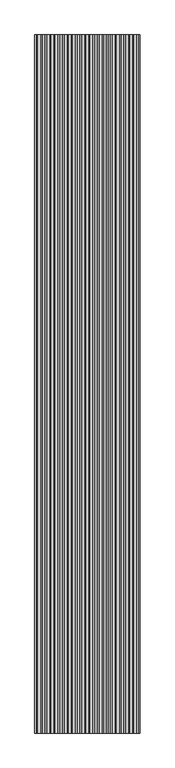
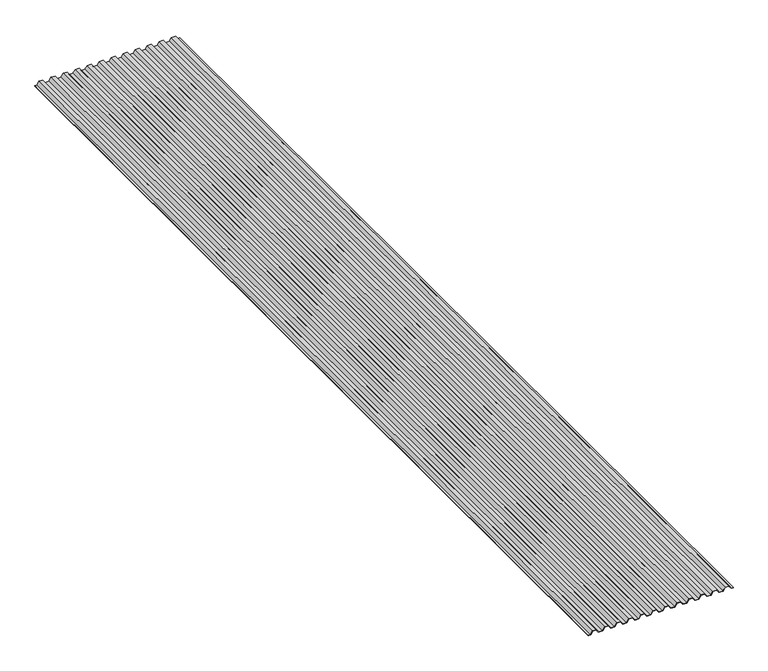
"""IFC4 building model written with IfcOpenShell, lengths in millimetres: proxy geometry."""

import ifcopenshell
import ifcopenshell.guid

model = None  # the IFC model being written
_history = None  # IfcOwnerHistory: only IFC2X3 demands one
_inside = {}  # id of a spatial element -> (the spatial element, [elements in it])
_under = {}  # id of a project, library or spatial element -> (it, [spatial elements below it])
_declared = {}  # id of a project -> (the project, [libraries it declares])
_typed = {}  # id of a type object -> (the type object, [elements of that type])
_made_of = {}  # id of a material, layer set ... -> (it, [elements and type objects made of it])


def new_model(schema):
    """Start an empty IFC model of exactly this schema.

    Asked for "IFC4X3", IfcOpenShell would pick the latest addendum, in which some entities
    have other attributes; the version numbers below select the first issue.
    IFC2X3 requires an IfcOwnerHistory on every rooted entity: one is made here for all.
    """
    global model, _history
    if schema == "IFC4X3":
        model = ifcopenshell.file(schema_version=(4, 3, 0, 0))
    else:
        model = ifcopenshell.file(schema=schema)
    _inside.clear()
    _under.clear()
    _declared.clear()
    _typed.clear()
    _made_of.clear()
    _history = None
    if model.schema == "IFC2X3":
        org = make("IfcOrganization", Name="unknown")
        user = make(
            "IfcPersonAndOrganization",
            ThePerson=make("IfcPerson", FamilyName="unknown"),
            TheOrganization=org,
        )
        app = make(
            "IfcApplication",
            ApplicationDeveloper=org,
            Version="unknown",
            ApplicationFullName="unknown",
            ApplicationIdentifier="unknown",
        )
        _history = make(
            "IfcOwnerHistory",
            OwningUser=user,
            OwningApplication=app,
            ChangeAction="ADDED",
            CreationDate=0,
        )
    return model


def make(cls, **values):
    """One entity of the class cls with the attributes given. An attribute that is None is left unset."""
    return model.create_entity(
        cls, **{name: value for name, value in values.items() if value is not None}
    )


def rooted(cls, **values):
    """An entity with a GlobalId (a new one), such as an element, a storey or a relation."""
    return make(cls, GlobalId=ifcopenshell.guid.new(), OwnerHistory=_history, **values)


def si_unit(unit_type, name, prefix=None):
    """IfcSIUnit, for example si_unit("LENGTHUNIT", "METRE", prefix="MILLI")."""
    return make("IfcSIUnit", UnitType=unit_type, Prefix=prefix, Name=name)


def assignment(units):
    """IfcUnitAssignment: the units of a project."""
    return None if units is None else make("IfcUnitAssignment", Units=units)


def point(xyz):
    """IfcCartesianPoint."""
    return None if xyz is None else make("IfcCartesianPoint", Coordinates=xyz)


def direction(xyz):
    """IfcDirection."""
    return None if xyz is None else make("IfcDirection", DirectionRatios=xyz)


def frame(location, z_axis=None, x_axis=None):
    """IfcAxis2Placement3D, a coordinate frame: its origin and axes. An axis left out is left unset."""
    return make(
        "IfcAxis2Placement3D",
        Location=point(location),
        Axis=direction(z_axis),
        RefDirection=direction(x_axis),
    )


def origin():
    """The frame at (0, 0, 0) with its axes left unset."""
    return frame((0.0, 0.0, 0.0))


def place(relative_to, where):
    """IfcLocalPlacement: puts the frame where relative to a parent placement (None: the world)."""
    return make(
        "IfcLocalPlacement", PlacementRelTo=relative_to, RelativePlacement=where
    )


def context(
    kind, dimensions, precision=None, world=None, true_north=None, identifier=None
):
    """IfcGeometricRepresentationContext, for example the 3D "Model" context."""
    return make(
        "IfcGeometricRepresentationContext",
        ContextIdentifier=identifier,
        ContextType=kind,
        CoordinateSpaceDimension=dimensions,
        Precision=precision,
        WorldCoordinateSystem=world,
        TrueNorth=true_north,
    )


def project(units=None, contexts=None):
    """IfcProject with its units and contexts."""
    return rooted(
        "IfcProject",
        Name="project",
        RepresentationContexts=contexts,
        UnitsInContext=assignment(units),
    )


def spatial(cls, under=None, at=None, **own):
    """A site, building, storey or space (cls), placed at a placement, below another one or the project."""
    s = rooted(cls, ObjectPlacement=at, **own)
    if under is not None:
        _under.setdefault(under.id(), (under, []))[1].append(s)
    return s


def polyline(points):
    """IfcPolyline through the points."""
    return make("IfcPolyline", Points=[point(p) for p in points])


def outline(outer, holes=None, kind="AREA"):
    """IfcArbitraryClosedProfileDef: a profile drawn as a closed curve; with holes, ...WithVoids."""
    if holes is None:
        return make("IfcArbitraryClosedProfileDef", ProfileType=kind, OuterCurve=outer)
    return make(
        "IfcArbitraryProfileDefWithVoids",
        ProfileType=kind,
        OuterCurve=outer,
        InnerCurves=holes,
    )


def extrude(swept, where, along, depth):
    """IfcExtrudedAreaSolid: the profile swept, set in the frame where, extruded along a direction by depth."""
    return make(
        "IfcExtrudedAreaSolid",
        SweptArea=swept,
        Position=where,
        ExtrudedDirection=direction(along),
        Depth=depth,
    )


def shape(context_of_items, identifier, shape_type, items):
    """IfcShapeRepresentation: the items that make up one representation, for example the "Body"."""
    return make(
        "IfcShapeRepresentation",
        ContextOfItems=context_of_items,
        RepresentationIdentifier=identifier,
        RepresentationType=shape_type,
        Items=items,
    )


def source(mapping_origin, context_of_items, identifier, shape_type, items):
    """IfcRepresentationMap: a shape defined once, which mapped items show again and again."""
    return make(
        "IfcRepresentationMap",
        MappingOrigin=mapping_origin,
        MappedRepresentation=shape(context_of_items, identifier, shape_type, items),
    )


def transform(
    local_origin,
    x_axis=None,
    y_axis=None,
    z_axis=None,
    scale=None,
    scale2=None,
    scale3=None,
    uniform=True,
):
    """IfcCartesianTransformationOperator3D, or its non-uniform kind. x_axis, y_axis, z_axis: its Axis1, 2, 3."""
    if uniform:
        return make(
            "IfcCartesianTransformationOperator3D",
            Axis1=direction(x_axis),
            Axis2=direction(y_axis),
            LocalOrigin=point(local_origin),
            Scale=scale,
            Axis3=direction(z_axis),
        )
    return make(
        "IfcCartesianTransformationOperator3DnonUniform",
        Axis1=direction(x_axis),
        Axis2=direction(y_axis),
        LocalOrigin=point(local_origin),
        Scale=scale,
        Axis3=direction(z_axis),
        Scale2=scale2,
        Scale3=scale3,
    )


def mapped(mapping_source, mapping_target):
    """IfcMappedItem: shows the shape of a source again, moved by a transform."""
    return make(
        "IfcMappedItem", MappingSource=mapping_source, MappingTarget=mapping_target
    )


def made_of(thing, what):
    """Note that an element or type object is made of a material, layer set ...; save() writes the relation."""
    if what is not None:
        _made_of.setdefault(what.id(), (what, []))[1].append(thing)
    return thing


def element(
    cls,
    number,
    at=None,
    inside=None,
    cuts=None,
    type_object=None,
    material=None,
    context=None,
    identifier="Body",
    shape_type=None,
    held_by="IfcProductDefinitionShape",
    body=None,
    shapes=None,
    **own,
):
    """One element of the class cls, such as IfcWall. Its Tag is "e" and its number.

    at: its placement. inside: the storey or other place that contains it. cuts: it is an
    opening in that element (IfcRelVoidsElement). A single representation is given by context,
    identifier, shape_type and body (its items); several are given by shapes. held_by: the class
    of the entity that holds the representations. save() writes the other relations.
    """
    e = rooted(cls, Tag="e%d" % number, ObjectPlacement=at, **own)
    if body is not None:
        shapes = [shape(context, identifier, shape_type, body)]
    if shapes is not None:
        e.Representation = make(held_by, Representations=shapes)
    if inside is not None:
        _inside.setdefault(inside.id(), (inside, []))[1].append(e)
    if cuts is not None:
        rooted(
            "IfcRelVoidsElement", RelatingBuildingElement=cuts, RelatedOpeningElement=e
        )
    if type_object is not None:
        _typed.setdefault(type_object.id(), (type_object, []))[1].append(e)
    return made_of(e, material)


def aggregate(whole, parts):
    """IfcRelAggregates: a whole, such as a stair, and the parts it consists of."""
    return rooted("IfcRelAggregates", RelatingObject=whole, RelatedObjects=parts)


def save(model, path):
    """Write the relations noted so far, then the file.

    IfcRelAggregates (storeys below a building ...), IfcRelContainedInSpatialStructure (elements
    in a storey), IfcRelDefinesByType, IfcRelAssociatesMaterial and IfcRelDeclares: one each for
    every whole, place, type object, material and project.
    """
    for whole, parts in _under.values():
        aggregate(whole, parts)
    for where, things in _inside.values():
        rooted(
            "IfcRelContainedInSpatialStructure",
            RelatedElements=things,
            RelatingStructure=where,
        )
    for kind, things in _typed.values():
        rooted("IfcRelDefinesByType", RelatedObjects=things, RelatingType=kind)
    for what, things in _made_of.values():
        rooted("IfcRelAssociatesMaterial", RelatedObjects=things, RelatingMaterial=what)
    for by, libraries in _declared.values():
        rooted("IfcRelDeclares", RelatingContext=by, RelatedDefinitions=libraries)
    model.write(path)


def generic_models_ca01e8ff(model_context):
    return source(origin(), model_context, "Body", "SweptSolid", [
        extrude(outline(polyline([(40.0, -1027.5), (40.0, -1014.8866213), (59.9818594, -1001.8072036), (59.9818594, -979.0261297), (40.0, -965.946712), (40.0, -940.7199546), (59.9818594, -927.6405369), (59.9818594, -904.8594631), (40.0, -891.7800454), (40.0, -866.553288), (59.9818594, -853.4738703), (59.9818594, -830.6927964), (40.0, -817.6133787), (40.0, -792.3866213), (59.9818594, -779.3072036), (59.9818594, -756.5261297), (40.0, -743.446712), (40.0, -718.2199546), (59.9818594, -705.1405369), (59.9818594, -682.3594631), (40.0, -669.2800454), (40.0, -644.053288), (59.9818594, -630.9738703), (59.9818594, -608.1927964), (40.0, -595.1133787), (40.0, -569.8866213), (59.9818594, -556.8072036), (59.9818594, -534.0261297), (40.0, -520.946712), (40.0, -495.7199546), (59.9818594, -482.6405369), (59.9818594, -459.8594631), (40.0, -446.7800454), (40.0, -421.553288), (59.9818594, -408.4738703), (59.9818594, -385.6927964), (40.0, -372.6133787), (40.0, -347.3866213), (59.9818594, -334.3072036), (59.9818594, -311.5261297), (40.0, -298.446712), (40.0, -273.2199546), (59.9818594, -260.1405369), (59.9818594, -237.3594631), (40.0, -224.2800454), (40.0, -199.053288), (59.9818594, -185.9738703), (59.9818594, -163.1927964), (40.0, -150.1133787), (40.0, -137.5), (42.0181406, -137.5), (42.0181406, -149.0017068), (62.0, -162.0811245), (62.0, -187.0855421), (42.0181406, -200.1649598), (42.0181406, -223.1683735), (62.0, -236.2477912), (62.0, -261.2522088), (42.0181406, -274.3316265), (42.0181406, -297.3350402), (62.0, -310.4144579), (62.0, -335.4188755), (42.0181406, -348.4982932), (42.0181406, -371.5017068), (62.0, -384.5811245), (62.0, -409.5855421), (42.0181406, -422.6649598), (42.0181406, -445.6683735), (62.0, -458.7477912), (62.0, -483.7522088), (42.0181406, -496.8316265), (42.0181406, -519.8350402), (62.0, -532.9144579), (62.0, -557.9188755), (42.0181406, -570.9982932), (42.0181406, -594.0017068), (62.0, -607.0811245), (62.0, -632.0855421), (42.0181406, -645.1649598), (42.0181406, -668.1683735), (62.0, -681.2477912), (62.0, -706.2522088), (42.0181406, -719.3316265), (42.0181406, -742.3350402), (62.0, -755.4144579), (62.0, -780.4188755), (42.0181406, -793.4982932), (42.0181406, -816.5017068), (62.0, -829.5811245), (62.0, -854.5855421), (42.0181406, -867.6649598), (42.0181406, -890.6683735), (62.0, -903.7477912), (62.0, -928.7522088), (42.0181406, -941.8316265), (42.0181406, -964.8350402), (62.0, -977.9144579), (62.0, -1002.9188755), (42.0181406, -1015.9982932), (42.0181406, -1027.5), (40.0, -1027.5)])), frame((0.0, -737.6194404, 0.0), z_axis=(0.0, 1.0, 0.0), x_axis=(0.0, 0.0, 1.0)), (0.0, 0.0, 1.0), 5900.0),
    ])


if __name__ == "__main__":
    model = new_model("IFC4")
    model_context = context("Model", 3, world=origin())
    ifc_project = project(units=[si_unit("LENGTHUNIT", "METRE", prefix="MILLI")], contexts=[model_context])
    site = spatial("IfcSite", under=ifc_project)
    building = spatial("IfcBuilding", under=site)
    placement = place(None, origin())
    generic_models_shape = generic_models_ca01e8ff(model_context)
    element("IfcBuildingElementProxy", 1, Name="Generic Models", at=placement, inside=building, context=model_context, shape_type="MappedRepresentation", body=[
        mapped(generic_models_shape, transform((0.0, 0.0, 0.0), x_axis=(1.0, 0.0, 0.0), y_axis=(0.0, 1.0, 0.0), z_axis=(0.0, 0.0, 1.0))),
    ])
    save(model, "model.ifc")
